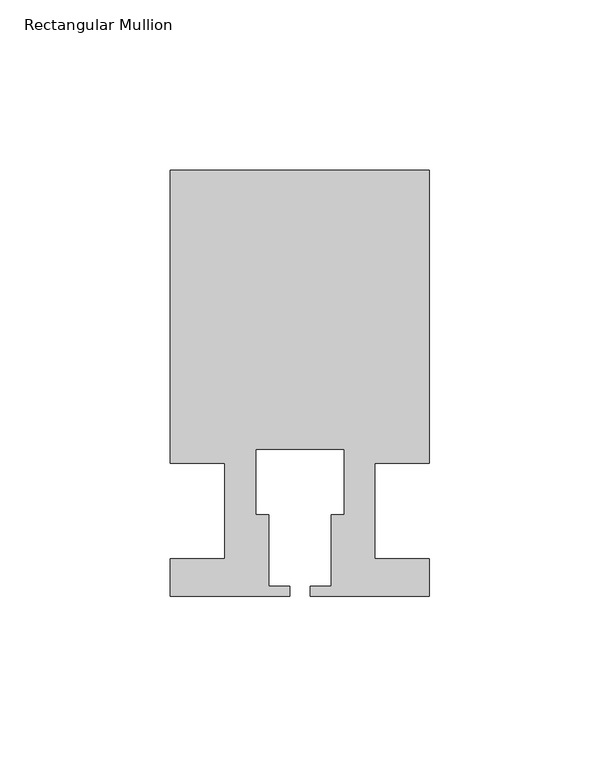
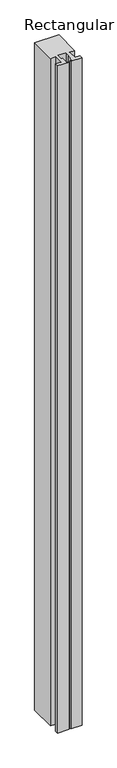
"""IFC4 building model written with IfcOpenShell, lengths in millimetres: member geometry, Rectangular Mullion."""

from ifc_helpers import new_model, si_unit, frame, origin, place, context, project, spatial, polyline, outline, extrude, source, transform, mapped, element, save


def rectangular_mullion_f58416b1(model_context):
    return source(origin(), model_context, "Body", "SweptSolid", [
        extrude(outline(polyline([(37.9999914, 99.9960123), (37.9999914, 13.9960123), (21.9999651, 13.9960123), (21.9999651, -14.0039877), (37.9999896, -14.0039877), (37.9999896, -25.0039877), (2.9999651, -25.0039877), (2.9999651, -22.0039877), (9.1999651, -22.0039877), (9.1999651, -1.0039877), (12.9999651, -1.0039877), (12.9999651, 18.1960075), (-12.9999633, 18.1960075), (-12.9999633, -1.0039877), (-9.1999633, -1.0039877), (-9.1999633, -22.0039877), (-2.9999896, -22.0039877), (-2.9999896, -25.0039877), (-37.9999896, -25.0039877), (-37.9999896, -14.0039877), (-21.9999633, -14.0039877), (-21.9999633, 13.9960123), (-37.9999896, 13.9960123), (-37.9999896, 99.9960123), (37.9999914, 99.9960123)])), frame((0.0, 0.0, -2211.2021929), z_axis=(0.0, 0.0, 1.0), x_axis=(1.0, 0.0, 0.0)), (0.0, 0.0, 1.0), 2211.2021929),
    ])


if __name__ == "__main__":
    model = new_model("IFC4")
    model_context = context("Model", 3, world=origin())
    ifc_project = project(units=[si_unit("LENGTHUNIT", "METRE", prefix="MILLI")], contexts=[model_context])
    site = spatial("IfcSite", under=ifc_project)
    building = spatial("IfcBuilding", under=site)
    placement = place(None, origin())
    rectangular_mullion_shape = rectangular_mullion_f58416b1(model_context)
    element("IfcMember", 1, ObjectType="Rectangular Mullion", at=placement, inside=building, context=model_context, shape_type="MappedRepresentation", body=[
        mapped(rectangular_mullion_shape, transform((0.0, 0.0, 0.0), x_axis=(1.0, 0.0, 0.0), y_axis=(0.0, 1.0, 0.0), z_axis=(0.0, 0.0, 1.0))),
    ])
    save(model, "model.ifc")
